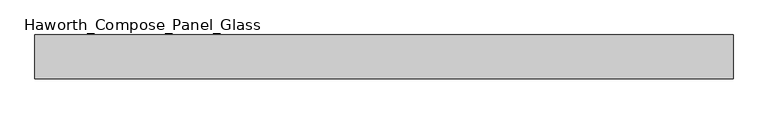
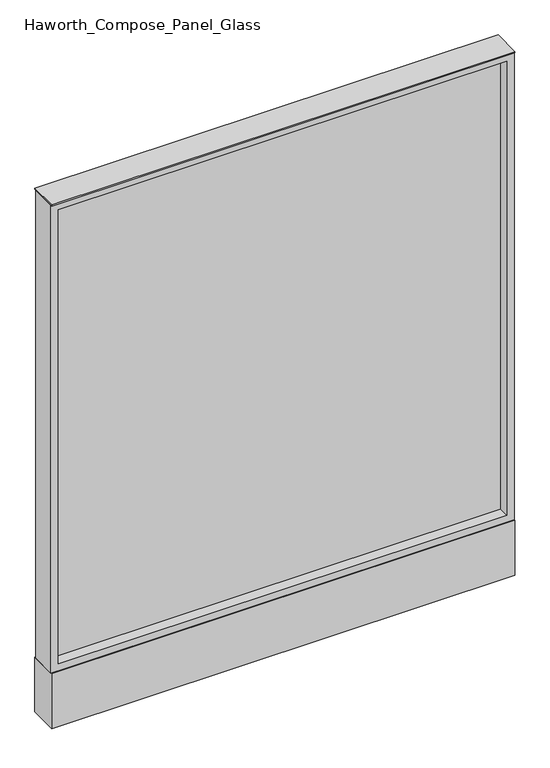
"""IFC4 building model written with IfcOpenShell, lengths in millimetres: furniture geometry, Haworth_Compose_Panel_Glass."""

from ifc_helpers import new_model, si_unit, point, frame, frame_2d, origin, origin_with_axes, place, context, project, spatial, polyline, circle_curve, trimmed, segment, composite_curve, outline, extrude, source, transform, mapped, element, save


def haworth_compose_panel_glass_c44e6ac5(model_context):
    return source(origin(), model_context, "Body", "SweptSolid", [
        extrude(outline(composite_curve([segment(trimmed(circle_curve(frame_2d((535.8402902, 0.0)), 12.7), [point((523.1402902, 0.0))], [point((548.5402902, 0.0))], False, "CARTESIAN"), True, "CONTINUOUS"), segment(trimmed(circle_curve(frame_2d((535.8402902, 0.0)), 12.7), [point((548.5402902, 0.0))], [point((523.1402902, 0.0))], False, "CARTESIAN"), True, "CONTINUOUS")], self_intersect=False)), origin_with_axes(), (0.0, 0.0, 1.0), 12.7),
        extrude(outline(composite_curve([segment(trimmed(circle_curve(frame_2d((-530.9597098, 0.0)), 12.7), [point((-543.6597098, 0.0))], [point((-518.2597098, 0.0))], False, "CARTESIAN"), True, "CONTINUOUS"), segment(trimmed(circle_curve(frame_2d((-530.9597098, 0.0)), 12.7), [point((-518.2597098, 0.0))], [point((-543.6597098, 0.0))], False, "CARTESIAN"), True, "CONTINUOUS")], self_intersect=False)), origin_with_axes(), (0.0, 0.0, 1.0), 12.7),
        extrude(outline(polyline([(592.9902902, -6.35), (-588.1097098, -6.35), (-588.1097098, 6.35), (592.9902902, 6.35), (592.9902902, -6.35)])), frame((0.0, 0.0, 184.15), z_axis=(0.0, 0.0, 1.0), x_axis=(1.0, 0.0, 0.0)), (0.0, 0.0, 1.0), 1263.65),
        extrude(outline(polyline([(1466.85, -607.1597098), (165.1, -607.1597098), (165.1, 612.0402902), (1466.85, 612.0402902), (1466.85, -607.1597098)]), holes=[polyline([(1447.8, 592.9902902), (184.15, 592.9902902), (184.15, -588.1097098), (1447.8, -588.1097098), (1447.8, 592.9902902)])]), frame((0.0, -34.925, 0.0), z_axis=(0.0, 1.0, 0.0), x_axis=(0.0, 0.0, 1.0)), (0.0, 0.0, 1.0), 69.85),
        extrude(outline(polyline([(-607.1597098, 38.1), (612.0402902, 38.1), (612.0402902, -38.1), (-607.1597098, -38.1), (-607.1597098, 38.1)])), frame((0.0, 0.0, 12.7), z_axis=(0.0, 0.0, 1.0), x_axis=(1.0, 0.0, 0.0)), (0.0, 0.0, 1.0), 152.4),
        extrude(outline(polyline([(-607.1597098, -38.1), (-607.1597098, 38.1), (612.0402902, 38.1), (612.0402902, -38.1), (-607.1597098, -38.1)])), frame((0.0, 0.0, 1466.85), z_axis=(0.0, 0.0, 1.0), x_axis=(1.0, 0.0, 0.0)), (0.0, 0.0, 1.0), 3.175),
    ])


if __name__ == "__main__":
    model = new_model("IFC4")
    model_context = context("Model", 3, world=origin())
    ifc_project = project(units=[si_unit("LENGTHUNIT", "METRE", prefix="MILLI")], contexts=[model_context])
    site = spatial("IfcSite", under=ifc_project)
    building = spatial("IfcBuilding", under=site)
    placement = place(None, origin())
    haworth_compose_panel_glass_shape = haworth_compose_panel_glass_c44e6ac5(model_context)
    element("IfcFurniture", 1, ObjectType="Haworth_Compose_Panel_Glass", at=placement, inside=building, context=model_context, shape_type="MappedRepresentation", body=[
        mapped(haworth_compose_panel_glass_shape, transform((0.0, 0.0, 0.0), x_axis=(1.0, 0.0, 0.0), y_axis=(0.0, 1.0, 0.0), z_axis=(0.0, 0.0, 1.0))),
    ])
    save(model, "model.ifc")
